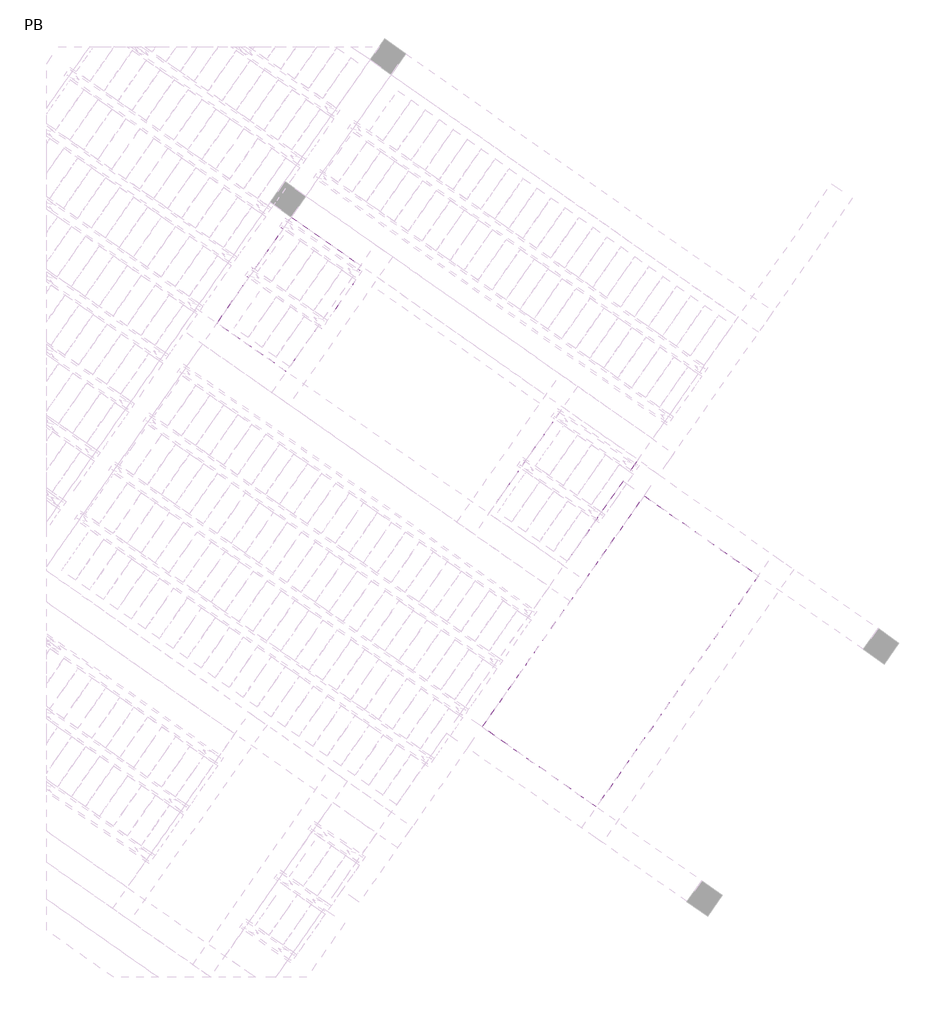
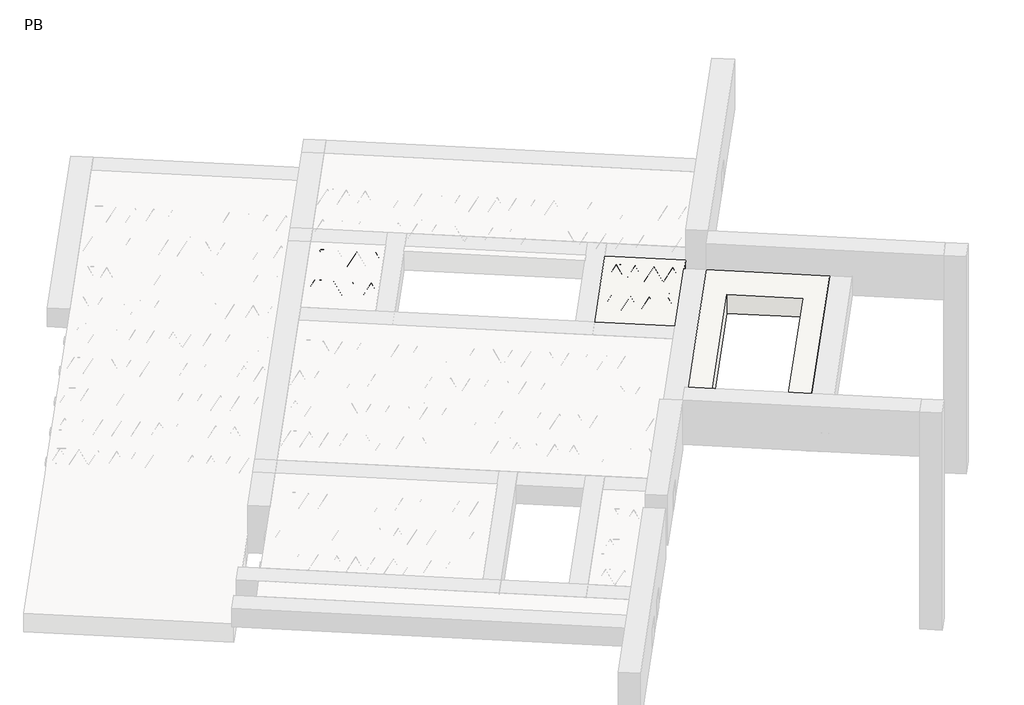
# One storey, part 2 of 56: 3 slabs.
"""IFC4 building model written with IfcOpenShell, lengths in millimetres."""

from ifc_helpers import new_model, si_unit, point, frame, origin, origin_2d, place, context, project, spatial, polyline, circle_curve, trimmed, segment, composite_curve, outline, extrude, element, save

model = new_model("IFC4")

# Units and contexts
model_context = context("Model", 3, world=origin())
ifc_project = project(units=[si_unit("LENGTHUNIT", "METRE", prefix="MILLI")], contexts=[model_context])

# Site, building, storey
site = spatial("IfcSite", under=ifc_project)
building = spatial("IfcBuilding", under=site)
storey = spatial("IfcBuildingStorey", under=building, Name="PB", Elevation=95940.0)

# Slabs
placement = place(None, origin())
element("IfcSlab", 1, at=placement, inside=storey, context=model_context, shape_type="SweptSolid", body=[
    extrude(outline(polyline([(5327.2608575, 6634.5325533), (5396.0900299, 6732.8307986), (6291.2057032, 6106.0640565), (6222.3765308, 6007.7658112), (5327.2608575, 6634.5325533)])), frame((0.0, 0.0, 99220.0), z_axis=(0.0, 0.0, 1.0), x_axis=(1.0, 0.0, 0.0)), (0.0, 0.0, 1.0), 50.0),
    extrude(outline(polyline([(5728.764363, 7207.9389843), (5797.5935353, 7306.2372296), (6692.7092086, 6679.4704875), (6623.8800363, 6581.1722422), (5728.764363, 7207.9389843)])), frame((0.0, 0.0, 99220.0), z_axis=(0.0, 0.0, 1.0), x_axis=(1.0, 0.0, 0.0)), (0.0, 0.0, 1.0), 50.0),
    extrude(outline(polyline([(5809.4544243, 5505.2242677), (4996.2539555, 6074.6333662), (5866.6379826, 7317.6705795), (6679.8384515, 6748.2614811), (5809.4544243, 5505.2242677)])), frame((0.0, 0.0, 99220.0), z_axis=(0.0, 0.0, 1.0), x_axis=(1.0, 0.0, 0.0)), (0.0, 0.0, 1.0), 300.0),
    extrude(outline(composite_curve([segment(trimmed(circle_curve(origin_2d(), 2.5), [point((-2.5000001, 0.0))], [point((2.5, 0.0))], False, "CARTESIAN"), True, "CONTINUOUS"), segment(trimmed(circle_curve(origin_2d(), 2.5), [point((2.5, 0.0))], [point((-2.5000001, 0.0))], False, "CARTESIAN"), True, "CONTINUOUS")], self_intersect=False)), frame((6216.4827162, 6041.1912948, 99245.0), z_axis=(-0.8191520442696126, 0.5735764363787226, 0.0), x_axis=(0.5735764363787226, 0.8191520442696126, 0.0)), (0.0, 0.0, 1.0), 1044.734468),
    extrude(outline(composite_curve([segment(trimmed(circle_curve(origin_2d(), 2.5), [point((-2.5000001, 0.0))], [point((2.5, 0.0))], False, "CARTESIAN"), True, "CONTINUOUS"), segment(trimmed(circle_curve(origin_2d(), 2.5), [point((2.5, 0.0))], [point((-2.5000001, 0.0))], False, "CARTESIAN"), True, "CONTINUOUS")], self_intersect=False)), frame((6157.372899, 6126.5283196, 99470.0), z_axis=(-0.8191520442696126, 0.5735764363787226, 0.0), x_axis=(0.5735764363787226, 0.8191520442696126, 0.0)), (0.0, 0.0, 1.0), 850.0),
    extrude(outline(composite_curve([segment(trimmed(circle_curve(origin_2d(), 2.5), [point((-2.5, 0.0))], [point((2.5, 1e-07))], False, "CARTESIAN"), True, "CONTINUOUS"), segment(trimmed(circle_curve(origin_2d(), 2.5), [point((2.5, 1e-07))], [point((-2.5, 0.0))], False, "CARTESIAN"), True, "CONTINUOUS")], self_intersect=False)), frame((6198.1605506, 6054.0206132, 99245.0), z_axis=(-0.3145304735701046, 0.38933448886848654, 0.8657304643902053), x_axis=(0.7778747638402499, 0.6284193279813057, 0.0)), (0.0, 0.0, 1.0), 259.8961331),
    extrude(outline(composite_curve([segment(trimmed(circle_curve(origin_2d(), 2.5), [point((2.5, 0.0))], [point((-2.5, 1e-07))], False, "CARTESIAN"), True, "CONTINUOUS"), segment(trimmed(circle_curve(origin_2d(), 2.5), [point((-2.5, 1e-07))], [point((2.5, 0.0))], False, "CARTESIAN"), True, "CONTINUOUS")], self_intersect=False)), frame((5993.3725395, 6197.4147223, 99245.0), z_axis=(0.47343050384693375, -0.16240172737369005, 0.8657304643902051), x_axis=(-0.3244721671091268, -0.9458952440791246, 0.0)), (0.0, 0.0, 1.0), 259.8961331),
    extrude(outline(composite_curve([segment(trimmed(circle_curve(origin_2d(), 2.5), [point((-2.5, 0.0))], [point((2.5, 1e-07))], False, "CARTESIAN"), True, "CONTINUOUS"), segment(trimmed(circle_curve(origin_2d(), 2.5), [point((2.5, 1e-07))], [point((-2.5, 0.0))], False, "CARTESIAN"), True, "CONTINUOUS")], self_intersect=False)), frame((5993.3725395, 6197.4147223, 99245.0), z_axis=(-0.3145304735701046, 0.38933448886848654, 0.8657304643902053), x_axis=(0.7778747638402499, 0.6284193279813057, 0.0)), (0.0, 0.0, 1.0), 259.8961331),
    extrude(outline(composite_curve([segment(trimmed(circle_curve(origin_2d(), 2.5), [point((2.5, 0.0))], [point((-2.5, 0.0))], False, "CARTESIAN"), True, "CONTINUOUS"), segment(trimmed(circle_curve(origin_2d(), 2.5), [point((-2.5, 0.0))], [point((2.5, 0.0))], False, "CARTESIAN"), True, "CONTINUOUS")], self_intersect=False)), frame((5788.5845285, 6340.8088314, 99245.0), z_axis=(0.47343050384693375, -0.16240172737369005, 0.8657304643902051), x_axis=(-0.3244721671091268, -0.9458952440791246, 0.0)), (0.0, 0.0, 1.0), 259.8961331),
    extrude(outline(composite_curve([segment(trimmed(circle_curve(origin_2d(), 2.5), [point((-2.5, 0.0))], [point((2.5, 0.0))], False, "CARTESIAN"), True, "CONTINUOUS"), segment(trimmed(circle_curve(origin_2d(), 2.5), [point((2.5, 0.0))], [point((-2.5, 0.0))], False, "CARTESIAN"), True, "CONTINUOUS")], self_intersect=False)), frame((5788.5845285, 6340.8088314, 99245.0), z_axis=(-0.3145304735701046, 0.38933448886848654, 0.8657304643902053), x_axis=(0.7778747638402499, 0.6284193279813057, 0.0)), (0.0, 0.0, 1.0), 259.8961331),
    extrude(outline(composite_curve([segment(trimmed(circle_curve(origin_2d(), 2.5), [point((2.5, 0.0))], [point((-2.5, 0.0))], False, "CARTESIAN"), True, "CONTINUOUS"), segment(trimmed(circle_curve(origin_2d(), 2.5), [point((-2.5, 0.0))], [point((2.5, 0.0))], False, "CARTESIAN"), True, "CONTINUOUS")], self_intersect=False)), frame((5583.7965174, 6484.2029405, 99245.0), z_axis=(0.47343050384693375, -0.16240172737369005, 0.8657304643902051), x_axis=(-0.3244721671091268, -0.9458952440791246, 0.0)), (0.0, 0.0, 1.0), 259.8961331),
    extrude(outline(composite_curve([segment(trimmed(circle_curve(origin_2d(), 2.5), [point((-2.5, 0.0))], [point((2.5, 0.0))], False, "CARTESIAN"), True, "CONTINUOUS"), segment(trimmed(circle_curve(origin_2d(), 2.5), [point((2.5, 0.0))], [point((-2.5, 0.0))], False, "CARTESIAN"), True, "CONTINUOUS")], self_intersect=False)), frame((5583.7965174, 6484.2029405, 99245.0), z_axis=(-0.3145304735701046, 0.38933448886848654, 0.8657304643902053), x_axis=(0.7778747638402499, 0.6284193279813057, 0.0)), (0.0, 0.0, 1.0), 259.8961331),
    extrude(outline(composite_curve([segment(trimmed(circle_curve(origin_2d(), 2.5), [point((2.5, 0.0))], [point((-2.5, 1e-07))], False, "CARTESIAN"), True, "CONTINUOUS"), segment(trimmed(circle_curve(origin_2d(), 2.5), [point((-2.5, 1e-07))], [point((2.5, 0.0))], False, "CARTESIAN"), True, "CONTINUOUS")], self_intersect=False)), frame((5379.0085063, 6627.5970496, 99245.0), z_axis=(0.47343050384693375, -0.16240172737369005, 0.8657304643902051), x_axis=(-0.3244721671091268, -0.9458952440791246, 0.0)), (0.0, 0.0, 1.0), 259.8961331),
    extrude(outline(composite_curve([segment(trimmed(circle_curve(origin_2d(), 2.5), [point((-2.4999999, 0.0))], [point((2.5000001, 0.0))], False, "CARTESIAN"), True, "CONTINUOUS"), segment(trimmed(circle_curve(origin_2d(), 2.5), [point((2.5000001, 0.0))], [point((-2.4999999, 0.0))], False, "CARTESIAN"), True, "CONTINUOUS")], self_intersect=False)), frame((6257.7802196, 6100.1702419, 99245.0), z_axis=(-0.8191520442696126, 0.5735764363787226, 0.0), x_axis=(0.5735764363787226, 0.8191520442696126, 0.0)), (0.0, 0.0, 1.0), 1044.734468),
    extrude(outline(composite_curve([segment(trimmed(circle_curve(origin_2d(), 2.5), [point((-2.5, 0.0))], [point((2.5, 0.0))], False, "CARTESIAN"), True, "CONTINUOUS"), segment(trimmed(circle_curve(origin_2d(), 2.5), [point((2.5, 0.0))], [point((-2.5, 0.0))], False, "CARTESIAN"), True, "CONTINUOUS")], self_intersect=False)), frame((6239.458054, 6112.9995604, 99245.0), z_axis=(-0.47343050384693375, 0.16240172737369005, 0.8657304643902051), x_axis=(0.3244721671091268, 0.9458952440791246, 0.0)), (0.0, 0.0, 1.0), 259.8961331),
    extrude(outline(composite_curve([segment(trimmed(circle_curve(origin_2d(), 2.5), [point((2.5000001, -1e-07))], [point((-2.5, 0.0))], False, "CARTESIAN"), True, "CONTINUOUS"), segment(trimmed(circle_curve(origin_2d(), 2.5), [point((-2.5, 0.0))], [point((2.5000001, -1e-07))], False, "CARTESIAN"), True, "CONTINUOUS")], self_intersect=False)), frame((6034.670043, 6256.3936695, 99245.0), z_axis=(0.3145304735701046, -0.38933448886848654, 0.8657304643902053), x_axis=(-0.7778747638402499, -0.6284193279813057, 0.0)), (0.0, 0.0, 1.0), 259.8961331),
    extrude(outline(composite_curve([segment(trimmed(circle_curve(origin_2d(), 2.5), [point((-2.5, 1e-07))], [point((2.5, 0.0))], False, "CARTESIAN"), True, "CONTINUOUS"), segment(trimmed(circle_curve(origin_2d(), 2.5), [point((2.5, 0.0))], [point((-2.5, 1e-07))], False, "CARTESIAN"), True, "CONTINUOUS")], self_intersect=False)), frame((6034.670043, 6256.3936695, 99245.0), z_axis=(-0.47343050384693375, 0.16240172737369005, 0.8657304643902051), x_axis=(0.3244721671091268, 0.9458952440791246, 0.0)), (0.0, 0.0, 1.0), 259.8961331),
    extrude(outline(composite_curve([segment(trimmed(circle_curve(origin_2d(), 2.5), [point((2.5, 0.0))], [point((-2.5, 0.0))], False, "CARTESIAN"), True, "CONTINUOUS"), segment(trimmed(circle_curve(origin_2d(), 2.5), [point((-2.5, 0.0))], [point((2.5, 0.0))], False, "CARTESIAN"), True, "CONTINUOUS")], self_intersect=False)), frame((5829.8820319, 6399.7877786, 99245.0), z_axis=(0.3145304735701046, -0.38933448886848654, 0.8657304643902053), x_axis=(-0.7778747638402499, -0.6284193279813057, 0.0)), (0.0, 0.0, 1.0), 259.8961331),
    extrude(outline(composite_curve([segment(trimmed(circle_curve(origin_2d(), 2.5), [point((-2.5, 0.0))], [point((2.5, 0.0))], False, "CARTESIAN"), True, "CONTINUOUS"), segment(trimmed(circle_curve(origin_2d(), 2.5), [point((2.5, 0.0))], [point((-2.5, 0.0))], False, "CARTESIAN"), True, "CONTINUOUS")], self_intersect=False)), frame((5829.8820319, 6399.7877786, 99245.0), z_axis=(-0.47343050384693375, 0.16240172737369005, 0.8657304643902051), x_axis=(0.3244721671091268, 0.9458952440791246, 0.0)), (0.0, 0.0, 1.0), 259.8961331),
    extrude(outline(composite_curve([segment(trimmed(circle_curve(origin_2d(), 2.5), [point((2.5, 0.0))], [point((-2.5, 0.0))], False, "CARTESIAN"), True, "CONTINUOUS"), segment(trimmed(circle_curve(origin_2d(), 2.5), [point((-2.5, 0.0))], [point((2.5, 0.0))], False, "CARTESIAN"), True, "CONTINUOUS")], self_intersect=False)), frame((5625.0940208, 6543.1818877, 99245.0), z_axis=(0.3145304735701046, -0.38933448886848654, 0.8657304643902053), x_axis=(-0.7778747638402499, -0.6284193279813057, 0.0)), (0.0, 0.0, 1.0), 259.8961331),
    extrude(outline(composite_curve([segment(trimmed(circle_curve(origin_2d(), 2.5), [point((-2.5, 0.0))], [point((2.5, 0.0))], False, "CARTESIAN"), True, "CONTINUOUS"), segment(trimmed(circle_curve(origin_2d(), 2.5), [point((2.5, 0.0))], [point((-2.5, 0.0))], False, "CARTESIAN"), True, "CONTINUOUS")], self_intersect=False)), frame((5625.0940208, 6543.1818877, 99245.0), z_axis=(-0.47343050384693375, 0.16240172737369005, 0.8657304643902051), x_axis=(0.3244721671091268, 0.9458952440791246, 0.0)), (0.0, 0.0, 1.0), 259.8961331),
    extrude(outline(composite_curve([segment(trimmed(circle_curve(origin_2d(), 2.5), [point((2.5000001, -1e-07))], [point((-2.5, 0.0))], False, "CARTESIAN"), True, "CONTINUOUS"), segment(trimmed(circle_curve(origin_2d(), 2.5), [point((-2.5, 0.0))], [point((2.5000001, -1e-07))], False, "CARTESIAN"), True, "CONTINUOUS")], self_intersect=False)), frame((5420.3060098, 6686.5759968, 99245.0), z_axis=(0.3145304735701046, -0.38933448886848654, 0.8657304643902053), x_axis=(-0.7778747638402499, -0.6284193279813057, 0.0)), (0.0, 0.0, 1.0), 259.8961331),
    extrude(outline(composite_curve([segment(trimmed(circle_curve(origin_2d(), 2.5), [point((-2.5, 0.0))], [point((2.5000001, 0.0))], False, "CARTESIAN"), True, "CONTINUOUS"), segment(trimmed(circle_curve(origin_2d(), 2.5), [point((2.5000001, 0.0))], [point((-2.5, 0.0))], False, "CARTESIAN"), True, "CONTINUOUS")], self_intersect=False)), frame((6617.9862217, 6614.5977257, 99245.0), z_axis=(-0.8191520442696126, 0.5735764363787226, 0.0), x_axis=(0.5735764363787226, 0.8191520442696126, 0.0)), (0.0, 0.0, 1.0), 1044.734468),
    extrude(outline(composite_curve([segment(trimmed(circle_curve(origin_2d(), 2.5), [point((-2.5, 0.0))], [point((2.5000001, 0.0))], False, "CARTESIAN"), True, "CONTINUOUS"), segment(trimmed(circle_curve(origin_2d(), 2.5), [point((2.5000001, 0.0))], [point((-2.5, 0.0))], False, "CARTESIAN"), True, "CONTINUOUS")], self_intersect=False)), frame((6558.8764045, 6699.9347505, 99470.0), z_axis=(-0.8191520442696126, 0.5735764363787226, 0.0), x_axis=(0.5735764363787226, 0.8191520442696126, 0.0)), (0.0, 0.0, 1.0), 850.0),
    extrude(outline(composite_curve([segment(trimmed(circle_curve(origin_2d(), 2.5), [point((-2.5, 0.0))], [point((2.5, 0.0))], False, "CARTESIAN"), True, "CONTINUOUS"), segment(trimmed(circle_curve(origin_2d(), 2.5), [point((2.5, 0.0))], [point((-2.5, 0.0))], False, "CARTESIAN"), True, "CONTINUOUS")], self_intersect=False)), frame((6599.6640561, 6627.4270442, 99245.0), z_axis=(-0.3145304735701046, 0.38933448886848654, 0.8657304643902053), x_axis=(0.7778747638402499, 0.6284193279813057, 0.0)), (0.0, 0.0, 1.0), 259.8961331),
    extrude(outline(composite_curve([segment(trimmed(circle_curve(origin_2d(), 2.5), [point((2.5, 0.0))], [point((-2.5, 0.0))], False, "CARTESIAN"), True, "CONTINUOUS"), segment(trimmed(circle_curve(origin_2d(), 2.5), [point((-2.5, 0.0))], [point((2.5, 0.0))], False, "CARTESIAN"), True, "CONTINUOUS")], self_intersect=False)), frame((6394.876045, 6770.8211533, 99245.0), z_axis=(0.47343050384693375, -0.16240172737369005, 0.8657304643902051), x_axis=(-0.3244721671091268, -0.9458952440791246, 0.0)), (0.0, 0.0, 1.0), 259.8961331),
    extrude(outline(composite_curve([segment(trimmed(circle_curve(origin_2d(), 2.5), [point((-2.5, 0.0))], [point((2.5, 0.0))], False, "CARTESIAN"), True, "CONTINUOUS"), segment(trimmed(circle_curve(origin_2d(), 2.5), [point((2.5, 0.0))], [point((-2.5, 0.0))], False, "CARTESIAN"), True, "CONTINUOUS")], self_intersect=False)), frame((6394.876045, 6770.8211533, 99245.0), z_axis=(-0.3145304735701046, 0.38933448886848654, 0.8657304643902053), x_axis=(0.7778747638402499, 0.6284193279813057, 0.0)), (0.0, 0.0, 1.0), 259.8961331),
    extrude(outline(composite_curve([segment(trimmed(circle_curve(origin_2d(), 2.5), [point((2.5, 0.0))], [point((-2.5, 1e-07))], False, "CARTESIAN"), True, "CONTINUOUS"), segment(trimmed(circle_curve(origin_2d(), 2.5), [point((-2.5, 1e-07))], [point((2.5, 0.0))], False, "CARTESIAN"), True, "CONTINUOUS")], self_intersect=False)), frame((6190.0880339, 6914.2152624, 99245.0), z_axis=(0.47343050384693375, -0.16240172737369005, 0.8657304643902051), x_axis=(-0.3244721671091268, -0.9458952440791246, 0.0)), (0.0, 0.0, 1.0), 259.8961331),
    extrude(outline(composite_curve([segment(trimmed(circle_curve(origin_2d(), 2.5), [point((-2.5, 0.0))], [point((2.5, 0.0))], False, "CARTESIAN"), True, "CONTINUOUS"), segment(trimmed(circle_curve(origin_2d(), 2.5), [point((2.5, 0.0))], [point((-2.5, 0.0))], False, "CARTESIAN"), True, "CONTINUOUS")], self_intersect=False)), frame((6190.0880339, 6914.2152624, 99245.0), z_axis=(-0.3145304735701046, 0.38933448886848654, 0.8657304643902053), x_axis=(0.7778747638402499, 0.6284193279813057, 0.0)), (0.0, 0.0, 1.0), 259.8961331),
    extrude(outline(composite_curve([segment(trimmed(circle_curve(origin_2d(), 2.5), [point((2.5, 0.0))], [point((-2.5, 0.0))], False, "CARTESIAN"), True, "CONTINUOUS"), segment(trimmed(circle_curve(origin_2d(), 2.5), [point((-2.5, 0.0))], [point((2.5, 0.0))], False, "CARTESIAN"), True, "CONTINUOUS")], self_intersect=False)), frame((5985.3000229, 7057.6093715, 99245.0), z_axis=(0.47343050384693375, -0.16240172737369005, 0.8657304643902051), x_axis=(-0.3244721671091268, -0.9458952440791246, 0.0)), (0.0, 0.0, 1.0), 259.8961331),
    extrude(outline(composite_curve([segment(trimmed(circle_curve(origin_2d(), 2.5), [point((-2.5, 0.0))], [point((2.5, 0.0))], False, "CARTESIAN"), True, "CONTINUOUS"), segment(trimmed(circle_curve(origin_2d(), 2.5), [point((2.5, 0.0))], [point((-2.5, 0.0))], False, "CARTESIAN"), True, "CONTINUOUS")], self_intersect=False)), frame((5985.3000229, 7057.6093715, 99245.0), z_axis=(-0.3145304735701046, 0.38933448886848654, 0.8657304643902053), x_axis=(0.7778747638402499, 0.6284193279813057, 0.0)), (0.0, 0.0, 1.0), 259.8961331),
    extrude(outline(composite_curve([segment(trimmed(circle_curve(origin_2d(), 2.5), [point((2.5, 0.0))], [point((-2.5, 0.0))], False, "CARTESIAN"), True, "CONTINUOUS"), segment(trimmed(circle_curve(origin_2d(), 2.5), [point((-2.5, 0.0))], [point((2.5, 0.0))], False, "CARTESIAN"), True, "CONTINUOUS")], self_intersect=False)), frame((5780.5120118, 7201.0034806, 99245.0), z_axis=(0.47343050384693375, -0.16240172737369005, 0.8657304643902051), x_axis=(-0.3244721671091268, -0.9458952440791246, 0.0)), (0.0, 0.0, 1.0), 259.8961331),
    extrude(outline(composite_curve([segment(trimmed(circle_curve(origin_2d(), 2.5), [point((-2.5, 0.0))], [point((2.5, 0.0))], False, "CARTESIAN"), True, "CONTINUOUS"), segment(trimmed(circle_curve(origin_2d(), 2.5), [point((2.5, 0.0))], [point((-2.5, 0.0))], False, "CARTESIAN"), True, "CONTINUOUS")], self_intersect=False)), frame((6659.2837251, 6673.5766729, 99245.0), z_axis=(-0.8191520442696126, 0.5735764363787226, 0.0), x_axis=(0.5735764363787226, 0.8191520442696126, 0.0)), (0.0, 0.0, 1.0), 1044.734468),
    extrude(outline(composite_curve([segment(trimmed(circle_curve(origin_2d(), 2.5), [point((-2.5, 0.0))], [point((2.5, 0.0))], False, "CARTESIAN"), True, "CONTINUOUS"), segment(trimmed(circle_curve(origin_2d(), 2.5), [point((2.5, 0.0))], [point((-2.5, 0.0))], False, "CARTESIAN"), True, "CONTINUOUS")], self_intersect=False)), frame((6640.9615595, 6686.4059914, 99245.0), z_axis=(-0.47343050384693375, 0.16240172737369005, 0.8657304643902051), x_axis=(0.3244721671091268, 0.9458952440791246, 0.0)), (0.0, 0.0, 1.0), 259.8961331),
    extrude(outline(composite_curve([segment(trimmed(circle_curve(origin_2d(), 2.5), [point((2.5, 0.0))], [point((-2.5, 0.0))], False, "CARTESIAN"), True, "CONTINUOUS"), segment(trimmed(circle_curve(origin_2d(), 2.5), [point((-2.5, 0.0))], [point((2.5, 0.0))], False, "CARTESIAN"), True, "CONTINUOUS")], self_intersect=False)), frame((6436.1735484, 6829.8001005, 99245.0), z_axis=(0.3145304735701046, -0.38933448886848654, 0.8657304643902053), x_axis=(-0.7778747638402499, -0.6284193279813057, 0.0)), (0.0, 0.0, 1.0), 259.8961331),
    extrude(outline(composite_curve([segment(trimmed(circle_curve(origin_2d(), 2.5), [point((-2.5, 0.0))], [point((2.5, 0.0))], False, "CARTESIAN"), True, "CONTINUOUS"), segment(trimmed(circle_curve(origin_2d(), 2.5), [point((2.5, 0.0))], [point((-2.5, 0.0))], False, "CARTESIAN"), True, "CONTINUOUS")], self_intersect=False)), frame((6436.1735484, 6829.8001005, 99245.0), z_axis=(-0.47343050384693375, 0.16240172737369005, 0.8657304643902051), x_axis=(0.3244721671091268, 0.9458952440791246, 0.0)), (0.0, 0.0, 1.0), 259.8961331),
    extrude(outline(composite_curve([segment(trimmed(circle_curve(origin_2d(), 2.5), [point((2.5000001, -1e-07))], [point((-2.5, 0.0))], False, "CARTESIAN"), True, "CONTINUOUS"), segment(trimmed(circle_curve(origin_2d(), 2.5), [point((-2.5, 0.0))], [point((2.5000001, -1e-07))], False, "CARTESIAN"), True, "CONTINUOUS")], self_intersect=False)), frame((6231.3855374, 6973.1942096, 99245.0), z_axis=(0.3145304735701046, -0.38933448886848654, 0.8657304643902053), x_axis=(-0.7778747638402499, -0.6284193279813057, 0.0)), (0.0, 0.0, 1.0), 259.8961331),
    extrude(outline(composite_curve([segment(trimmed(circle_curve(origin_2d(), 2.5), [point((-2.5, 1e-07))], [point((2.5, 0.0))], False, "CARTESIAN"), True, "CONTINUOUS"), segment(trimmed(circle_curve(origin_2d(), 2.5), [point((2.5, 0.0))], [point((-2.5, 1e-07))], False, "CARTESIAN"), True, "CONTINUOUS")], self_intersect=False)), frame((6231.3855374, 6973.1942096, 99245.0), z_axis=(-0.47343050384693375, 0.16240172737369005, 0.8657304643902051), x_axis=(0.3244721671091268, 0.9458952440791246, 0.0)), (0.0, 0.0, 1.0), 259.8961331),
    extrude(outline(composite_curve([segment(trimmed(circle_curve(origin_2d(), 2.5), [point((2.5, 0.0))], [point((-2.5, 0.0))], False, "CARTESIAN"), True, "CONTINUOUS"), segment(trimmed(circle_curve(origin_2d(), 2.5), [point((-2.5, 0.0))], [point((2.5, 0.0))], False, "CARTESIAN"), True, "CONTINUOUS")], self_intersect=False)), frame((6026.5975263, 7116.5883187, 99245.0), z_axis=(0.3145304735701046, -0.38933448886848654, 0.8657304643902053), x_axis=(-0.7778747638402499, -0.6284193279813057, 0.0)), (0.0, 0.0, 1.0), 259.8961331),
    extrude(outline(composite_curve([segment(trimmed(circle_curve(origin_2d(), 2.5), [point((-2.5, 0.0))], [point((2.5, 0.0))], False, "CARTESIAN"), True, "CONTINUOUS"), segment(trimmed(circle_curve(origin_2d(), 2.5), [point((2.5, 0.0))], [point((-2.5, 0.0))], False, "CARTESIAN"), True, "CONTINUOUS")], self_intersect=False)), frame((6026.5975263, 7116.5883187, 99245.0), z_axis=(-0.47343050384693375, 0.16240172737369005, 0.8657304643902051), x_axis=(0.3244721671091268, 0.9458952440791246, 0.0)), (0.0, 0.0, 1.0), 259.8961331),
    extrude(outline(composite_curve([segment(trimmed(circle_curve(origin_2d(), 2.5), [point((2.5, 0.0))], [point((-2.5, 0.0))], False, "CARTESIAN"), True, "CONTINUOUS"), segment(trimmed(circle_curve(origin_2d(), 2.5), [point((-2.5, 0.0))], [point((2.5, 0.0))], False, "CARTESIAN"), True, "CONTINUOUS")], self_intersect=False)), frame((5821.8095152, 7259.9824278, 99245.0), z_axis=(0.3145304735701046, -0.38933448886848654, 0.8657304643902053), x_axis=(-0.7778747638402499, -0.6284193279813057, 0.0)), (0.0, 0.0, 1.0), 259.8961331),
    extrude(outline(polyline([(290.0, -125.0), (-290.0, -125.0), (-290.0, 125.0), (290.0, 125.0), (290.0, -125.0)]), holes=[polyline([(-270.0, -105.0), (-155.0, -105.0), (-155.0, 105.0), (-270.0, 105.0), (-270.0, 42.5), (-270.0, -105.0)]), polyline([(-10.0, -105.0), (-10.0, 105.0), (-135.0, 105.0), (-135.0, -105.0), (-10.0, -105.0)]), polyline([(135.0, 105.0), (10.0, 105.0), (10.0, -105.0), (135.0, -105.0), (135.0, 105.0)]), polyline([(270.0, -105.0), (270.0, 42.5), (270.0, 105.0), (155.0, 105.0), (155.0, -105.0), (270.0, -105.0)])]), frame((6015.3685503, 5799.3001162, 99345.0), z_axis=(-0.8191520442696126, 0.5735764363787226, 0.0), x_axis=(0.5735764363787226, 0.8191520442696126, 0.0)), (0.0, 0.0, 1.0), 195.0),
    extrude(outline(polyline([(290.0, -125.0), (-289.9999999, -125.0), (-289.9999999, 125.0), (290.0, 125.0), (290.0, -125.0)]), holes=[polyline([(-270.0, -105.0), (-155.0, -105.0), (-155.0, 105.0), (-270.0, 105.0), (-270.0, 42.5), (-270.0, -105.0)]), polyline([(-9.9999999, -105.0), (-9.9999999, 105.0), (-135.0, 105.0), (-135.0, -105.0), (-9.9999999, -105.0)]), polyline([(135.0, 105.0), (10.0, 105.0), (10.0, -105.0), (135.0, -105.0), (135.0, 105.0)]), polyline([(269.9999999, -105.0), (269.9999999, 42.5), (269.9999999, 105.0), (155.0000001, 105.0), (155.0000001, -105.0), (269.9999999, -105.0)])]), frame((5851.5381414, 5914.0154035, 99345.0), z_axis=(-0.8191520442696126, 0.5735764363787226, 0.0), x_axis=(0.5735764363787226, 0.8191520442696126, 0.0)), (0.0, 0.0, 1.0), 195.0),
    extrude(outline(polyline([(289.9999999, -125.0), (-290.0000001, -125.0), (-290.0000001, 125.0), (289.9999999, 125.0), (289.9999999, -125.0)]), holes=[polyline([(-270.0000001, -105.0), (-155.0000001, -105.0), (-155.0000001, 105.0), (-270.0000001, 105.0), (-270.0000001, 42.5), (-270.0000001, -105.0)]), polyline([(-10.0000001, -105.0), (-10.0000001, 105.0), (-135.0, 105.0), (-135.0, -105.0), (-10.0000001, -105.0)]), polyline([(134.9999999, 105.0), (9.9999999, 105.0), (9.9999999, -105.0), (134.9999999, -105.0), (134.9999999, 105.0)]), polyline([(269.9999999, -105.0), (269.9999999, 42.5), (269.9999999, 105.0), (154.9999999, 105.0), (154.9999999, -105.0), (269.9999999, -105.0)])]), frame((5687.7077326, 6028.7306908, 99345.0), z_axis=(-0.8191520442696126, 0.5735764363787226, 0.0), x_axis=(0.5735764363787226, 0.8191520442696126, 0.0)), (0.0, 0.0, 1.0), 195.0),
    extrude(outline(polyline([(290.0000001, -125.0), (-289.9999999, -125.0), (-289.9999999, 125.0), (290.0000001, 125.0), (290.0000001, -125.0)]), holes=[polyline([(-269.9999999, -105.0), (-154.9999999, -105.0), (-154.9999999, 105.0), (-269.9999999, 105.0), (-269.9999999, 42.5), (-269.9999999, -105.0)]), polyline([(-10.0, -105.0), (-10.0, 105.0), (-134.9999999, 105.0), (-134.9999999, -105.0), (-10.0, -105.0)]), polyline([(135.0, 105.0), (10.0000001, 105.0), (10.0000001, -105.0), (135.0, -105.0), (135.0, 105.0)]), polyline([(270.0, -105.0), (270.0, 42.5), (270.0, 105.0), (155.0, 105.0), (155.0, -105.0), (270.0, -105.0)])]), frame((5523.8773237, 6143.445978, 99345.0), z_axis=(-0.8191520442696126, 0.5735764363787226, 0.0), x_axis=(0.5735764363787226, 0.8191520442696126, 0.0)), (0.0, 0.0, 1.0), 195.0),
    extrude(outline(polyline([(290.0, -125.0), (-290.0, -125.0), (-290.0, 125.0), (290.0, 125.0), (290.0, -125.0)]), holes=[polyline([(-270.0, -105.0), (-155.0, -105.0), (-155.0, 105.0), (-270.0, 105.0), (-270.0, 42.5), (-270.0, -105.0)]), polyline([(-10.0, -105.0), (-10.0, 105.0), (-135.0, 105.0), (-135.0, -105.0), (-10.0, -105.0)]), polyline([(134.9999999, 105.0), (10.0, 105.0), (10.0, -105.0), (134.9999999, -105.0), (134.9999999, 105.0)]), polyline([(270.0, -105.0), (270.0, 42.5), (270.0, 105.0), (155.0, 105.0), (155.0, -105.0), (270.0, -105.0)])]), frame((6457.5428697, 6343.6181494, 99345.0), z_axis=(-0.8191520442696126, 0.5735764363787226, 0.0), x_axis=(0.5735764363787226, 0.8191520442696126, 0.0)), (0.0, 0.0, 1.0), 195.0),
    extrude(outline(polyline([(290.0, -125.0), (-290.0, -125.0), (-290.0, 125.0), (290.0, 125.0), (290.0, -125.0)]), holes=[polyline([(-269.9999999, -105.0), (-155.0, -105.0), (-155.0, 105.0), (-269.9999999, 105.0), (-269.9999999, 42.5), (-269.9999999, -105.0)]), polyline([(-10.0, -105.0), (-10.0, 105.0), (-134.9999999, 105.0), (-134.9999999, -105.0), (-10.0, -105.0)]), polyline([(135.0, 105.0), (10.0, 105.0), (10.0, -105.0), (135.0, -105.0), (135.0, 105.0)]), polyline([(270.0, -105.0), (270.0, 42.5), (270.0, 105.0), (155.0, 105.0), (155.0, -105.0), (270.0, -105.0)])]), frame((6293.7124609, 6458.3334366, 99345.0), z_axis=(-0.8191520442696126, 0.5735764363787226, 0.0), x_axis=(0.5735764363787226, 0.8191520442696126, 0.0)), (0.0, 0.0, 1.0), 195.0),
    extrude(outline(polyline([(290.0000001, -125.0), (-289.9999999, -125.0), (-289.9999999, 125.0), (290.0000001, 125.0), (290.0000001, -125.0)]), holes=[polyline([(-269.9999999, -105.0), (-154.9999999, -105.0), (-154.9999999, 105.0), (-269.9999999, 105.0), (-269.9999999, 42.5), (-269.9999999, -105.0)]), polyline([(-9.9999999, -105.0), (-9.9999999, 105.0), (-135.0, 105.0), (-135.0, -105.0), (-9.9999999, -105.0)]), polyline([(135.0, 105.0), (10.0000001, 105.0), (10.0000001, -105.0), (135.0, -105.0), (135.0, 105.0)]), polyline([(270.0, -105.0), (270.0, 42.5), (270.0, 105.0), (155.0000001, 105.0), (155.0000001, -105.0), (270.0, -105.0)])]), frame((6129.882052, 6573.0487239, 99345.0), z_axis=(-0.8191520442696126, 0.5735764363787226, 0.0), x_axis=(0.5735764363787226, 0.8191520442696126, 0.0)), (0.0, 0.0, 1.0), 195.0),
    extrude(outline(polyline([(289.9999999, -125.0), (-290.0, -125.0), (-290.0, 125.0), (289.9999999, 125.0), (289.9999999, -125.0)]), holes=[polyline([(-270.0000001, -105.0), (-155.0000001, -105.0), (-155.0000001, 105.0), (-270.0000001, 105.0), (-270.0000001, 42.5), (-270.0000001, -105.0)]), polyline([(-10.0, -105.0), (-10.0, 105.0), (-135.0, 105.0), (-135.0, -105.0), (-10.0, -105.0)]), polyline([(135.0, 105.0), (9.9999999, 105.0), (9.9999999, -105.0), (135.0, -105.0), (135.0, 105.0)]), polyline([(269.9999999, -105.0), (269.9999999, 42.5), (269.9999999, 105.0), (155.0, 105.0), (155.0, -105.0), (269.9999999, -105.0)])]), frame((5966.0516432, 6687.7640112, 99345.0), z_axis=(-0.8191520442696126, 0.5735764363787226, 0.0), x_axis=(0.5735764363787226, 0.8191520442696126, 0.0)), (0.0, 0.0, 1.0), 195.0),
    extrude(outline(polyline([(290.0, -125.0), (-290.0, -125.0), (-290.0, 125.0), (290.0, 125.0), (290.0, -125.0)]), holes=[polyline([(-270.0, -105.0), (-155.0, -105.0), (-155.0, 105.0), (-270.0, 105.0), (-270.0, 42.5), (-270.0, -105.0)]), polyline([(-10.0, -105.0), (-10.0, 105.0), (-135.0, 105.0), (-135.0, -105.0), (-10.0, -105.0)]), polyline([(134.9999999, 105.0), (10.0, 105.0), (10.0, -105.0), (134.9999999, -105.0), (134.9999999, 105.0)]), polyline([(269.9999999, -105.0), (269.9999999, 42.5), (269.9999999, 105.0), (155.0, 105.0), (155.0, -105.0), (269.9999999, -105.0)])]), frame((5802.2212343, 6802.4792985, 99345.0), z_axis=(-0.8191520442696126, 0.5735764363787226, 0.0), x_axis=(0.5735764363787226, 0.8191520442696126, 0.0)), (0.0, 0.0, 1.0), 195.0),
])
element("IfcSlab", 2, ObjectType="DirectShapeType 1092", at=placement, inside=storey, context=model_context, shape_type="SweptSolid", body=[
    extrude(outline(polyline([(8184.9953527, 3841.8526022), (8988.0023637, 4988.6654642), (9055.3793799, 5084.8898156), (9934.1817213, 4469.5457915), (9931.3320559, 4465.4760475), (9759.259125, 4219.7304343), (9063.7976942, 3226.5085781), (8184.9953527, 3841.8526022)])), frame((0.0, 0.0, 99220.0), z_axis=(0.0, 0.0, 1.0), x_axis=(1.0, 0.0, 0.0)), (0.0, 0.0, 1.0), 300.0),
])
element("IfcSlab", 3, ObjectType="DirectShapeType 1092", at=placement, inside=storey, context=model_context, shape_type="SweptSolid", body=[
    extrude(outline(polyline([(8106.4667321, 1336.2642344), (9223.506842, 2931.5628406), (10005.0047366, 4047.6575009), (11344.3183289, 3109.8600274), (9445.7803245, 398.4667609), (8106.4667321, 1336.2642344)]), holes=[polyline([(10771.8185681, 2839.460526), (9950.2090677, 3414.7576917), (8686.6201784, 1610.1657382), (9508.2296788, 1034.8685725), (10771.8185681, 2839.460526)])]), frame((0.0, 0.0, 99300.0), z_axis=(0.0, 0.0, 1.0), x_axis=(1.0, 0.0, 0.0)), (0.0, 0.0, 1.0), 300.0),
])

save(model, "model.ifc")
